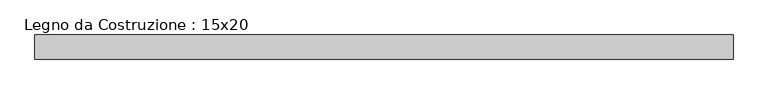
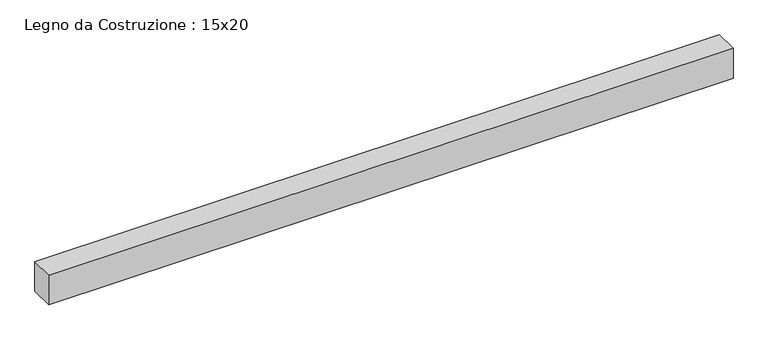
"""IFC4 building model written with IfcOpenShell, lengths in millimetres: beam geometry, Legno da Costruzione : 15x20."""

from ifc_helpers import new_model, si_unit, frame, origin, place, context, project, spatial, polyline, outline, extrude, source, transform, mapped, element, save


def legno_da_costruzione_15x20_2cced5f1(model_context):
    return source(origin(), model_context, "Body", "SweptSolid", [
        extrude(outline(polyline([(2264.5, 75.0), (2264.5, -75.0), (-2075.5, -75.0), (-2075.5, 75.0), (2264.5, 75.0)])), frame((0.0, 0.0, -100.0), z_axis=(0.0, 0.0, 1.0), x_axis=(1.0, 0.0, 0.0)), (0.0, 0.0, 1.0), 200.0),
    ])


if __name__ == "__main__":
    model = new_model("IFC4")
    model_context = context("Model", 3, world=origin())
    ifc_project = project(units=[si_unit("LENGTHUNIT", "METRE", prefix="MILLI")], contexts=[model_context])
    site = spatial("IfcSite", under=ifc_project)
    building = spatial("IfcBuilding", under=site)
    placement = place(None, origin())
    legno_da_costruzione_15x20_shape = legno_da_costruzione_15x20_2cced5f1(model_context)
    element("IfcBeam", 1, ObjectType="Legno da Costruzione : 15x20", at=placement, inside=building, context=model_context, shape_type="MappedRepresentation", body=[
        mapped(legno_da_costruzione_15x20_shape, transform((0.0, 0.0, 0.0), x_axis=(1.0, 0.0, 0.0), y_axis=(0.0, 1.0, 0.0), z_axis=(0.0, 0.0, 1.0))),
    ])
    save(model, "model.ifc")
